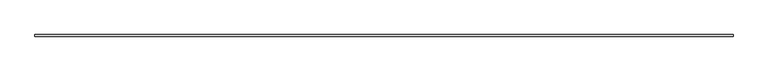
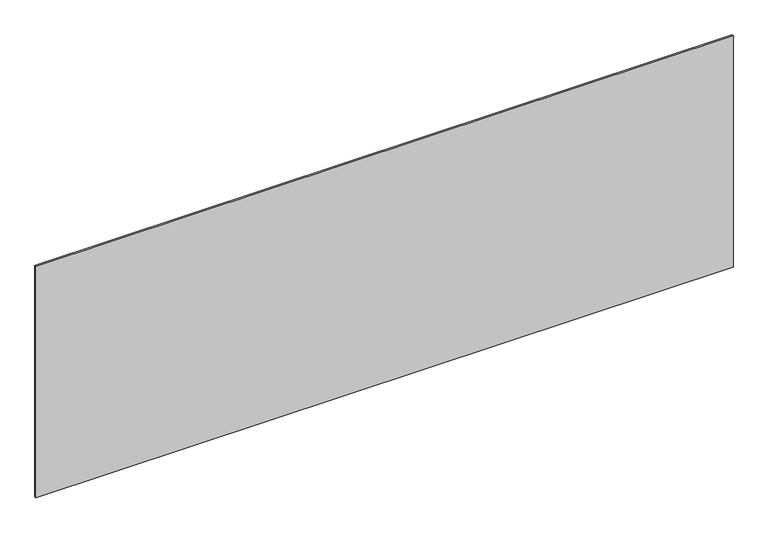
"""IFC4 building model written with IfcOpenShell, lengths in millimetres: plate geometry."""

from ifc_helpers import new_model, si_unit, origin, origin_with_axes, place, context, project, spatial, polyline, outline, extrude, source, transform, mapped, element, save


def plate_4c828ec2(model_context):
    return source(origin(), model_context, "Body", "SweptSolid", [
        extrude(outline(polyline([(2189.1666667, -5.0), (-2189.1666667, -5.0), (-2189.1666667, 5.0), (2189.1666667, 5.0), (2189.1666667, -5.0)])), origin_with_axes(), (0.0, 0.0, 1.0), 1537.9452237),
    ])


if __name__ == "__main__":
    model = new_model("IFC4")
    model_context = context("Model", 3, world=origin())
    ifc_project = project(units=[si_unit("LENGTHUNIT", "METRE", prefix="MILLI")], contexts=[model_context])
    site = spatial("IfcSite", under=ifc_project)
    building = spatial("IfcBuilding", under=site)
    placement = place(None, origin())
    plate_shape = plate_4c828ec2(model_context)
    element("IfcPlate", 1, at=placement, inside=building, context=model_context, shape_type="MappedRepresentation", body=[
        mapped(plate_shape, transform((0.0, 0.0, 0.0), x_axis=(1.0, 0.0, 0.0), y_axis=(0.0, 1.0, 0.0), z_axis=(0.0, 0.0, 1.0))),
    ])
    save(model, "model.ifc")
